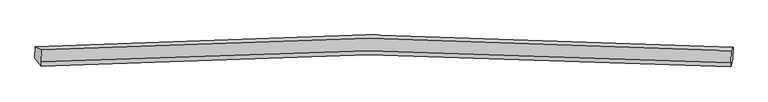
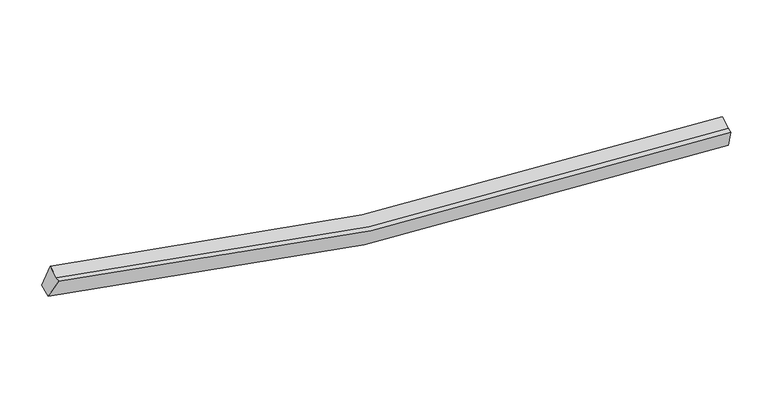
"""IFC4 building model written with IfcOpenShell, lengths in millimetres: proxy geometry."""

from ifc_helpers import new_model, si_unit, frame, origin, place, context, project, spatial, source, transform, mapped, element, save
from ifc_brep_helpers import plane_surface, spline_curve, spline_surface, advanced_brep


def generic_models_98abc715(model_context):
    return source(origin(), model_context, "Body", "AdvancedBrep", [
        advanced_brep(
        [(-11649.2974916, -1871.1108507, 4556.1884681), (-11420.6463738, -1987.3738564, 5270.0079343), (12803.9370714, -2014.2198301, 2496.6636604), (12868.5017775, -1898.1919478, 1749.8667806), (-11439.8657849, -2407.4162299, 5102.1150324), (12784.7176603, -2434.2622037, 2328.7707586), (-11446.6576731, -2555.8537065, 5042.7838786), (12777.9257721, -2582.6996802, 2269.4396047), (-11668.2228679, -2284.7270625, 4390.8641332), (12849.5601224, -2312.1639347, 1584.4002407)],
        [
            (0, 1),
            (1, 2, spline_curve(3, [(-11420.6463738, -1987.3738564, 5270.0079343), (-7624.795952535, -1725.738744473, 4198.35095025), (-3793.511641561, -1591.544616152, 3427.955772957), (4274.94341593, -1577.453223592, 2449.042570238), (8518.520252244, -1720.596009024, 2294.989655215), (12803.9370714, -2014.2198301, 2496.6636604)], [4, 2, 4], [0.0, 38.71862973252637, 80.79190348993895])),
            (2, 3),
            (3, 0, spline_curve(3, [(12868.5017775, -1898.1919478, 1749.8667806), (8530.35255812, -1600.679243543, 1544.49988497), (4234.998367784, -1455.651499105, 1699.764092875), (-3931.049070241, -1469.971336158, 2690.420643835), (-7808.294635593, -1605.972049959, 3470.596997677), (-11649.2974916, -1871.1108507, 4556.1884681)], [4, 2, 4], [0.0, 42.07327375741258, 80.79190348993895])),
            (1, 4),
            (4, 5, spline_curve(3, [(-11439.8657849, -2407.4162299, 5102.1150324), (-7644.422933335, -2154.688603663, 4026.897684576), (-3813.350868704, -2025.133146396, 3254.648409433), (4255.068875806, -2011.81351212, 2275.426730189), (8498.857959176, -2150.31762688, 2123.227913725), (12784.7176603, -2434.2622037, 2328.7707586)], [4, 2, 4], [0.0, 38.4854897372187, 80.30542387713595])),
            (5, 2),
            (4, 6),
            (6, 7, spline_curve(3, [(-11446.6576731, -2555.8537065, 5042.7838786), (-7651.214821599, -2303.126080532, 3967.566530283), (-3820.142756739, -2173.570622652, 3195.317255334), (4248.276987217, -2160.250989094, 2216.095576714), (8492.066070405, -2298.75510326, 2063.896760633), (12777.9257721, -2582.6996802, 2269.4396047)], [4, 2, 4], [0.0, 38.485479928547015, 80.30540340995357])),
            (7, 5),
            (6, 8),
            (8, 9, spline_curve(3, [(-11668.2228679, -2284.7270625, 4390.8641332), (-7827.635609351, -2028.671172418, 3301.642181337), (-3950.607716318, -1897.427722696, 2519.564326464), (4215.398513618, -1884.008508875, 1528.547791999), (8510.964949908, -2024.397582952, 1375.137681775), (12849.5601224, -2312.1639347, 1584.4002407)], [4, 2, 4], [0.0, 38.718596130084194, 80.79183337368525])),
            (9, 7),
            (8, 0),
            (3, 9),
        ],
        [
            spline_surface(3, 3, [[(-11649.2974916, -1871.1108507, 4556.1884681), (-7808.294636121, -1605.972049636, 3470.596998245), (-3931.049070215, -1469.971336744, 2690.420643862), (4234.998367756, -1455.651498469, 1699.764092845), (8530.352558198, -1600.679243728, 1544.499884719), (12868.5017775, -1898.1919478, 1749.8667806)], [(-11573.08045234, -1909.865185924, 4794.128290154), (-7747.128408351, -1645.894281328, 3713.181648806), (-3885.203260481, -1510.4957633, 2936.265687004), (4248.313383656, -1496.252073382, 1949.523585182), (8526.408456141, -1640.651498961, 1794.663141545), (12846.980208782, -1936.867908574, 1998.799073864)], [(-11496.86341306, -1948.619521176, 5032.068112246), (-7685.962180561, -1685.816513048, 3955.766299404), (-3839.357450805, -1551.020189904, 3182.110730158), (4261.628399497, -1536.852648343, 2199.28307753), (8522.464354139, -1680.62375417, 2044.826398379), (12825.458640118, -1975.543869326, 2247.731367136)], [(-11420.6463738, -1987.3738564, 5270.0079343), (-7624.795952791, -1725.738744739, 4198.350949965), (-3793.511641071, -1591.54461646, 3427.955773299), (4274.943415397, -1577.453223257, 2449.042569866), (8518.520252082, -1720.596009402, 2294.989655204), (12803.9370714, -2014.2198301, 2496.6636604)]], [4, 4], [4, 2, 4], [0.0, 2.488519532302591], [0.0, 38.71862973252637, 80.79190348993895]),
            spline_surface(3, 3, [[(-11420.6463738, -1987.3738564, 5270.0079343), (-7624.795952791, -1725.738744739, 4198.350949965), (-3793.511641071, -1591.54461646, 3427.955773299), (4274.943415397, -1577.453223257, 2449.042569866), (8518.520252082, -1720.596009402, 2294.989655204), (12803.9370714, -2014.2198301, 2496.6636604)], [(-11427.052844142, -2127.387980916, 5214.043633679), (-7631.338279762, -1868.722031051, 4141.199861483), (-3800.124716878, -1736.074126486, 3370.186651965), (4268.318568754, -1722.239986211, 2391.170623333), (8511.966154275, -1863.836548643, 2237.735741523), (12797.530601058, -2154.233954616, 2440.699359779)], [(-11433.459314558, -2267.402105384, 5158.079333021), (-7637.880606807, -2011.705317315, 4084.048772964), (-3806.737792634, -1880.603636438, 3312.417530665), (4261.693722163, -1867.026749092, 2333.298676834), (8505.412056394, -2007.077087935, 2180.481827905), (12791.124130642, -2294.248079184, 2384.735059221)], [(-11439.8657849, -2407.4162299, 5102.1150324), (-7644.422933778, -2154.688603627, 4026.897684482), (-3813.350868441, -2025.133146464, 3254.648409331), (4255.06887552, -2011.813512046, 2275.426730301), (8498.857958587, -2150.317627175, 2123.227914224), (12784.7176603, -2434.2622037, 2328.7707586)]], [4, 4], [4, 2, 4], [0.0, 1.5347356992595076], [0.0, 38.4854897372187, 80.30542387713595]),
            spline_surface(3, 3, [[(-11439.8657849, -2407.4162299, 5102.1150324), (-7644.422933778, -2154.688603627, 4026.897684482), (-3813.350868441, -2025.133146464, 3254.648409331), (4255.06887552, -2011.813512046, 2275.426730301), (8498.857958587, -2150.317627175, 2123.227914224), (12784.7176603, -2434.2622037, 2328.7707586)], [(-11442.129747659, -2456.895388744, 5082.337981124), (-7646.686896537, -2204.16776247, 4007.120633206), (-3815.6148312, -2074.612305308, 3234.871358054), (4252.80491276, -2061.292670889, 2255.649679024), (8496.593995828, -2199.796786018, 2103.450862948), (12782.453697541, -2483.741362544, 2308.993707324)], [(-11444.393710341, -2506.374547656, 5062.560929876), (-7648.950859219, -2253.646921383, 3987.343581959), (-3817.878793982, -2124.09146422, 3215.094306807), (4250.540949979, -2110.771829802, 2235.872627777), (8494.330033147, -2249.275944831, 2083.673811601), (12780.189734859, -2533.220521356, 2289.216655976)], [(-11446.6576731, -2555.8537065, 5042.7838786), (-7651.214821978, -2303.126080227, 3967.566530682), (-3820.142756741, -2173.570623064, 3195.317255531), (4248.27698722, -2160.250988646, 2216.095576501), (8492.066070387, -2298.755103675, 2063.896760324), (12777.9257721, -2582.6996802, 2269.4396047)]], [4, 4], [4, 2, 4], [0.0, 0.5249343832021007], [0.0, 38.485479928547015, 80.30540340995357]),
            spline_surface(3, 3, [[(-11446.6576731, -2555.8537065, 5042.7838786), (-7651.214821978, -2303.126080227, 3967.566530682), (-3820.142756741, -2173.570623064, 3195.317255531), (4248.27698722, -2160.250988646, 2216.095576501), (8492.066070387, -2298.755103675, 2063.896760324), (12777.9257721, -2582.6996802, 2269.4396047)], [(-11520.512738025, -2465.4781585, 4825.477296801), (-7710.021750996, -2211.641110915, 3745.591747583), (-3863.631076479, -2081.522989455, 2970.066279298), (4237.317495847, -2068.170162238, 1986.912981536), (8498.365696971, -2207.302596948, 1834.31040087), (12801.803888885, -2492.521098351, 2041.093150033)], [(-11594.367802975, -2375.1026105, 4608.170714999), (-7768.828680038, -2120.156141604, 3523.616964482), (-3907.119396158, -1989.475355822, 2744.815303062), (4226.358004532, -1976.089335807, 1757.730386567), (8504.6653235, -2115.850090268, 1604.724041416), (12825.682005615, -2402.342516549, 1812.746695367)], [(-11668.2228679, -2284.7270625, 4390.8641332), (-7827.635609056, -2028.671172292, 3301.642181382), (-3950.607715896, -1897.427722213, 2519.564326829), (4215.398513159, -1884.008509399, 1528.547791602), (8510.964950084, -2024.397583542, 1375.137681962), (12849.5601224, -2312.1639347, 1584.4002407)]], [4, 4], [4, 2, 4], [0.0, 2.427792133395153], [0.0, 38.718596130084194, 80.79183337368525]),
            spline_surface(3, 3, [[(-11668.2228679, -2284.7270625, 4390.8641332), (-7827.635609056, -2028.671172292, 3301.642181382), (-3950.607715896, -1897.427722213, 2519.564326829), (4215.398513159, -1884.008509399, 1528.547791602), (8510.964950084, -2024.397583542, 1375.137681962), (12849.5601224, -2312.1639347, 1584.4002407)], [(-11661.914409134, -2146.854991917, 4445.972244842), (-7821.188618078, -1887.771464757, 3357.960453679), (-3944.088167326, -1754.942260397, 2576.516432531), (4221.931798034, -1741.222839096, 1585.619892041), (8517.427486123, -1883.158136952, 1431.591749548), (12855.874007434, -2174.173272415, 1639.555754)], [(-11655.605950366, -2008.982921283, 4501.080356458), (-7814.741627098, -1746.871757172, 3414.278725949), (-3937.568618785, -1612.456798561, 2633.46853816), (4228.465082881, -1598.437168772, 1642.691992407), (8523.890022159, -1741.918690318, 1488.045817133), (12862.187892466, -2036.182610085, 1694.7112673)], [(-11649.2974916, -1871.1108507, 4556.1884681), (-7808.294636121, -1605.972049636, 3470.596998245), (-3931.049070215, -1469.971336744, 2690.420643862), (4234.998367756, -1455.651498469, 1699.764092845), (8530.352558198, -1600.679243728, 1544.499884719), (12868.5017775, -1898.1919478, 1749.8667806)]], [4, 4], [4, 2, 4], [0.0, 1.5132956323516156], [0.0, 38.951721768319686, 81.27828302842418]),
            plane_surface(frame((12824.9811858, -2201.8188482, 2025.0925716), z_axis=(0.994397909223599, -0.07519306998748558, 0.07428862872332403), x_axis=(0.0968031761561019, 0.36558884533300945, -0.9257288702715107))),
            plane_surface(frame((-11546.2061016, -2174.766369, 4814.9611035), z_axis=(-0.9531721159640956, -0.07363135623057239, 0.2933280428601661), x_axis=(-0.04244930173545337, -0.9277342283186134, -0.37081971143432957))),
        ],
        [
            (0, [[1, 2, 3, 4]]),
            (1, [[5, 6, 7, -2]]),
            (2, [[8, 9, 10, -6]]),
            (3, [[11, 12, 13, -9]]),
            (4, [[14, -4, 15, -12]]),
            (5, [[-13, -15, -3, -7, -10]]),
            (6, [[-14, -11, -8, -5, -1]]),
        ],
    ),
    ])


if __name__ == "__main__":
    model = new_model("IFC4")
    model_context = context("Model", 3, world=origin())
    ifc_project = project(units=[si_unit("LENGTHUNIT", "METRE", prefix="MILLI")], contexts=[model_context])
    site = spatial("IfcSite", under=ifc_project)
    building = spatial("IfcBuilding", under=site)
    placement = place(None, origin())
    generic_models_shape = generic_models_98abc715(model_context)
    element("IfcBuildingElementProxy", 1, Name="Generic Models", at=placement, inside=building, context=model_context, shape_type="MappedRepresentation", body=[
        mapped(generic_models_shape, transform((0.0, 0.0, 0.0), x_axis=(1.0, 0.0, 0.0), y_axis=(0.0, 1.0, 0.0), z_axis=(0.0, 0.0, 1.0))),
    ])
    save(model, "model.ifc")
